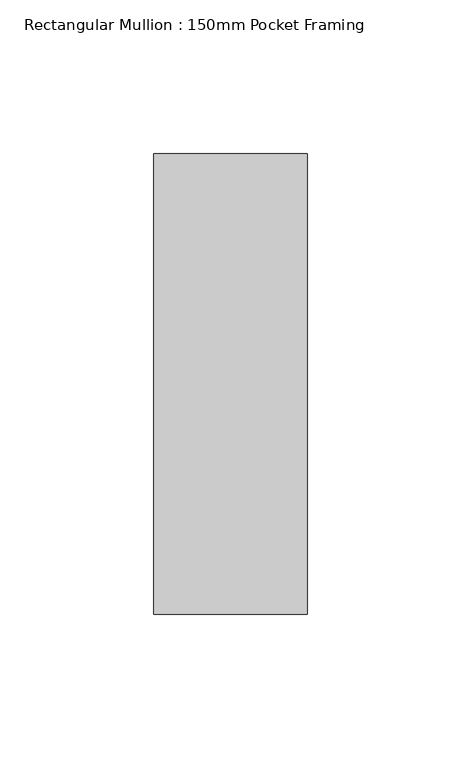
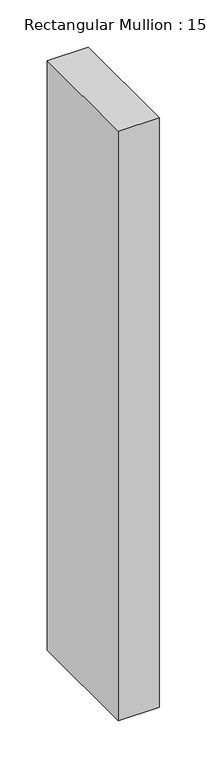
"""IFC4 building model written with IfcOpenShell, lengths in millimetres: member geometry, Rectangular Mullion : 150mm Pocket Framing."""

from ifc_helpers import new_model, si_unit, frame, origin, place, context, project, spatial, polyline, outline, extrude, source, transform, mapped, element, save


def rectangular_mullion_150mm_pocket_framing_37a4310a(model_context):
    return source(origin(), model_context, "Body", "SweptSolid", [
        extrude(outline(polyline([(0.0, 75.0), (0.0, -75.0), (-50.0, -75.0), (-50.0, 75.0), (0.0, 75.0)])), frame((0.0, 0.0, -760.0), z_axis=(0.0, 0.0, 1.0), x_axis=(1.0, 0.0, 0.0)), (0.0, 0.0, 1.0), 760.0),
    ])


if __name__ == "__main__":
    model = new_model("IFC4")
    model_context = context("Model", 3, world=origin())
    ifc_project = project(units=[si_unit("LENGTHUNIT", "METRE", prefix="MILLI")], contexts=[model_context])
    site = spatial("IfcSite", under=ifc_project)
    building = spatial("IfcBuilding", under=site)
    placement = place(None, origin())
    rectangular_mullion_150mm_pocket_framing_shape = rectangular_mullion_150mm_pocket_framing_37a4310a(model_context)
    element("IfcMember", 1, ObjectType="Rectangular Mullion : 150mm Pocket Framing", at=placement, inside=building, context=model_context, shape_type="MappedRepresentation", body=[
        mapped(rectangular_mullion_150mm_pocket_framing_shape, transform((0.0, 0.0, 0.0), x_axis=(1.0, 0.0, 0.0), y_axis=(0.0, 1.0, 0.0), z_axis=(0.0, 0.0, 1.0))),
    ])
    save(model, "model.ifc")
